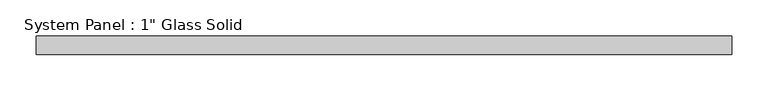
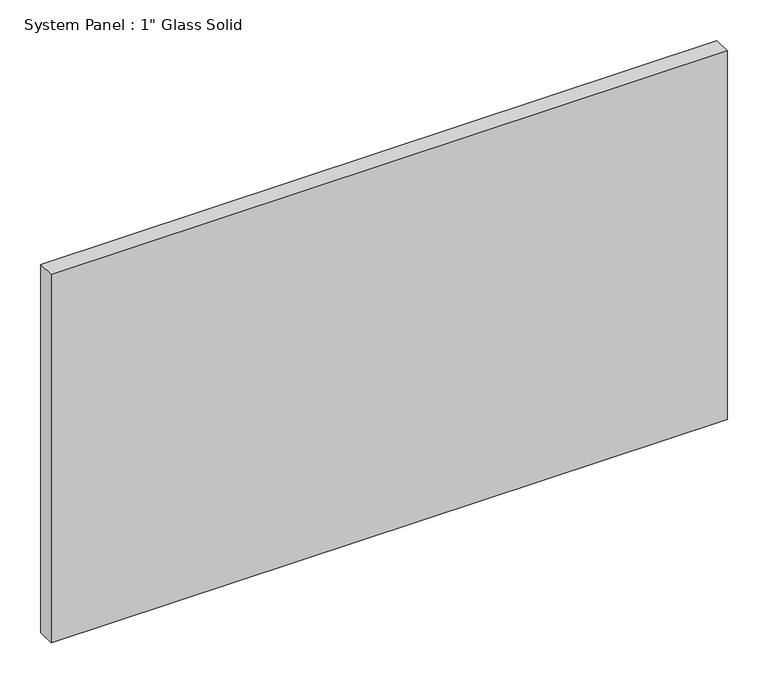
"""IFC4 building model written with IfcOpenShell, lengths in millimetres: plate geometry."""

from ifc_helpers import new_model, si_unit, origin, origin_with_axes, place, context, project, spatial, polyline, outline, extrude, source, transform, mapped, element, save


def plate_79a3723e(model_context):
    return source(origin(), model_context, "Body", "SweptSolid", [
        extrude(outline(polyline([(479.4258852, -12.7), (-479.4258852, -12.7), (-479.4258852, 12.7), (479.4258852, 12.7), (479.4258852, -12.7)])), origin_with_axes(), (0.0, 0.0, 1.0), 552.4517704),
    ])


if __name__ == "__main__":
    model = new_model("IFC4")
    model_context = context("Model", 3, world=origin())
    ifc_project = project(units=[si_unit("LENGTHUNIT", "METRE", prefix="MILLI")], contexts=[model_context])
    site = spatial("IfcSite", under=ifc_project)
    building = spatial("IfcBuilding", under=site)
    placement = place(None, origin())
    plate_shape = plate_79a3723e(model_context)
    element("IfcPlate", 1, ObjectType="System Panel : 1\" Glass Solid", at=placement, inside=building, context=model_context, shape_type="MappedRepresentation", body=[
        mapped(plate_shape, transform((0.0, 0.0, 0.0), x_axis=(1.0, 0.0, 0.0), y_axis=(0.0, 1.0, 0.0), z_axis=(0.0, 0.0, 1.0))),
    ])
    save(model, "model.ifc")
